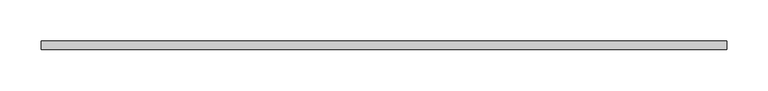
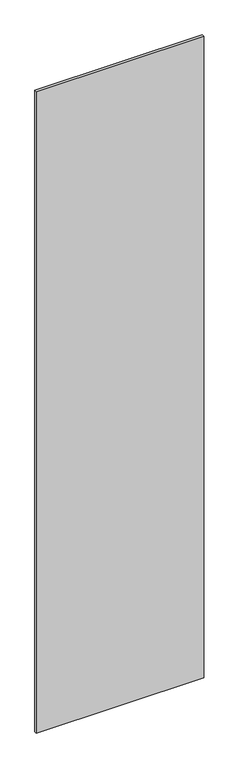
"""IFC4 building model written with IfcOpenShell, lengths in millimetres: plate geometry."""

import ifcopenshell
import ifcopenshell.guid

model = None  # the IFC model being written
_history = None  # IfcOwnerHistory: only IFC2X3 demands one
_inside = {}  # id of a spatial element -> (the spatial element, [elements in it])
_under = {}  # id of a project, library or spatial element -> (it, [spatial elements below it])
_declared = {}  # id of a project -> (the project, [libraries it declares])
_typed = {}  # id of a type object -> (the type object, [elements of that type])
_made_of = {}  # id of a material, layer set ... -> (it, [elements and type objects made of it])


def new_model(schema):
    """Start an empty IFC model of exactly this schema.

    Asked for "IFC4X3", IfcOpenShell would pick the latest addendum, in which some entities
    have other attributes; the version numbers below select the first issue.
    IFC2X3 requires an IfcOwnerHistory on every rooted entity: one is made here for all.
    """
    global model, _history
    if schema == "IFC4X3":
        model = ifcopenshell.file(schema_version=(4, 3, 0, 0))
    else:
        model = ifcopenshell.file(schema=schema)
    _inside.clear()
    _under.clear()
    _declared.clear()
    _typed.clear()
    _made_of.clear()
    _history = None
    if model.schema == "IFC2X3":
        org = make("IfcOrganization", Name="unknown")
        user = make(
            "IfcPersonAndOrganization",
            ThePerson=make("IfcPerson", FamilyName="unknown"),
            TheOrganization=org,
        )
        app = make(
            "IfcApplication",
            ApplicationDeveloper=org,
            Version="unknown",
            ApplicationFullName="unknown",
            ApplicationIdentifier="unknown",
        )
        _history = make(
            "IfcOwnerHistory",
            OwningUser=user,
            OwningApplication=app,
            ChangeAction="ADDED",
            CreationDate=0,
        )
    return model


def make(cls, **values):
    """One entity of the class cls with the attributes given. An attribute that is None is left unset."""
    return model.create_entity(
        cls, **{name: value for name, value in values.items() if value is not None}
    )


def rooted(cls, **values):
    """An entity with a GlobalId (a new one), such as an element, a storey or a relation."""
    return make(cls, GlobalId=ifcopenshell.guid.new(), OwnerHistory=_history, **values)


def si_unit(unit_type, name, prefix=None):
    """IfcSIUnit, for example si_unit("LENGTHUNIT", "METRE", prefix="MILLI")."""
    return make("IfcSIUnit", UnitType=unit_type, Prefix=prefix, Name=name)


def assignment(units):
    """IfcUnitAssignment: the units of a project."""
    return None if units is None else make("IfcUnitAssignment", Units=units)


def point(xyz):
    """IfcCartesianPoint."""
    return None if xyz is None else make("IfcCartesianPoint", Coordinates=xyz)


def direction(xyz):
    """IfcDirection."""
    return None if xyz is None else make("IfcDirection", DirectionRatios=xyz)


def frame(location, z_axis=None, x_axis=None):
    """IfcAxis2Placement3D, a coordinate frame: its origin and axes. An axis left out is left unset."""
    return make(
        "IfcAxis2Placement3D",
        Location=point(location),
        Axis=direction(z_axis),
        RefDirection=direction(x_axis),
    )


def origin():
    """The frame at (0, 0, 0) with its axes left unset."""
    return frame((0.0, 0.0, 0.0))


def origin_with_axes():
    """The frame at (0, 0, 0) with the z axis (0, 0, 1) and the x axis (1, 0, 0) written out."""
    return frame((0.0, 0.0, 0.0), z_axis=(0.0, 0.0, 1.0), x_axis=(1.0, 0.0, 0.0))


def place(relative_to, where):
    """IfcLocalPlacement: puts the frame where relative to a parent placement (None: the world)."""
    return make(
        "IfcLocalPlacement", PlacementRelTo=relative_to, RelativePlacement=where
    )


def context(
    kind, dimensions, precision=None, world=None, true_north=None, identifier=None
):
    """IfcGeometricRepresentationContext, for example the 3D "Model" context."""
    return make(
        "IfcGeometricRepresentationContext",
        ContextIdentifier=identifier,
        ContextType=kind,
        CoordinateSpaceDimension=dimensions,
        Precision=precision,
        WorldCoordinateSystem=world,
        TrueNorth=true_north,
    )


def project(units=None, contexts=None):
    """IfcProject with its units and contexts."""
    return rooted(
        "IfcProject",
        Name="project",
        RepresentationContexts=contexts,
        UnitsInContext=assignment(units),
    )


def spatial(cls, under=None, at=None, **own):
    """A site, building, storey or space (cls), placed at a placement, below another one or the project."""
    s = rooted(cls, ObjectPlacement=at, **own)
    if under is not None:
        _under.setdefault(under.id(), (under, []))[1].append(s)
    return s


def polyline(points):
    """IfcPolyline through the points."""
    return make("IfcPolyline", Points=[point(p) for p in points])


def outline(outer, holes=None, kind="AREA"):
    """IfcArbitraryClosedProfileDef: a profile drawn as a closed curve; with holes, ...WithVoids."""
    if holes is None:
        return make("IfcArbitraryClosedProfileDef", ProfileType=kind, OuterCurve=outer)
    return make(
        "IfcArbitraryProfileDefWithVoids",
        ProfileType=kind,
        OuterCurve=outer,
        InnerCurves=holes,
    )


def extrude(swept, where, along, depth):
    """IfcExtrudedAreaSolid: the profile swept, set in the frame where, extruded along a direction by depth."""
    return make(
        "IfcExtrudedAreaSolid",
        SweptArea=swept,
        Position=where,
        ExtrudedDirection=direction(along),
        Depth=depth,
    )


def shape(context_of_items, identifier, shape_type, items):
    """IfcShapeRepresentation: the items that make up one representation, for example the "Body"."""
    return make(
        "IfcShapeRepresentation",
        ContextOfItems=context_of_items,
        RepresentationIdentifier=identifier,
        RepresentationType=shape_type,
        Items=items,
    )


def source(mapping_origin, context_of_items, identifier, shape_type, items):
    """IfcRepresentationMap: a shape defined once, which mapped items show again and again."""
    return make(
        "IfcRepresentationMap",
        MappingOrigin=mapping_origin,
        MappedRepresentation=shape(context_of_items, identifier, shape_type, items),
    )


def transform(
    local_origin,
    x_axis=None,
    y_axis=None,
    z_axis=None,
    scale=None,
    scale2=None,
    scale3=None,
    uniform=True,
):
    """IfcCartesianTransformationOperator3D, or its non-uniform kind. x_axis, y_axis, z_axis: its Axis1, 2, 3."""
    if uniform:
        return make(
            "IfcCartesianTransformationOperator3D",
            Axis1=direction(x_axis),
            Axis2=direction(y_axis),
            LocalOrigin=point(local_origin),
            Scale=scale,
            Axis3=direction(z_axis),
        )
    return make(
        "IfcCartesianTransformationOperator3DnonUniform",
        Axis1=direction(x_axis),
        Axis2=direction(y_axis),
        LocalOrigin=point(local_origin),
        Scale=scale,
        Axis3=direction(z_axis),
        Scale2=scale2,
        Scale3=scale3,
    )


def mapped(mapping_source, mapping_target):
    """IfcMappedItem: shows the shape of a source again, moved by a transform."""
    return make(
        "IfcMappedItem", MappingSource=mapping_source, MappingTarget=mapping_target
    )


def made_of(thing, what):
    """Note that an element or type object is made of a material, layer set ...; save() writes the relation."""
    if what is not None:
        _made_of.setdefault(what.id(), (what, []))[1].append(thing)
    return thing


def element(
    cls,
    number,
    at=None,
    inside=None,
    cuts=None,
    type_object=None,
    material=None,
    context=None,
    identifier="Body",
    shape_type=None,
    held_by="IfcProductDefinitionShape",
    body=None,
    shapes=None,
    **own,
):
    """One element of the class cls, such as IfcWall. Its Tag is "e" and its number.

    at: its placement. inside: the storey or other place that contains it. cuts: it is an
    opening in that element (IfcRelVoidsElement). A single representation is given by context,
    identifier, shape_type and body (its items); several are given by shapes. held_by: the class
    of the entity that holds the representations. save() writes the other relations.
    """
    e = rooted(cls, Tag="e%d" % number, ObjectPlacement=at, **own)
    if body is not None:
        shapes = [shape(context, identifier, shape_type, body)]
    if shapes is not None:
        e.Representation = make(held_by, Representations=shapes)
    if inside is not None:
        _inside.setdefault(inside.id(), (inside, []))[1].append(e)
    if cuts is not None:
        rooted(
            "IfcRelVoidsElement", RelatingBuildingElement=cuts, RelatedOpeningElement=e
        )
    if type_object is not None:
        _typed.setdefault(type_object.id(), (type_object, []))[1].append(e)
    return made_of(e, material)


def aggregate(whole, parts):
    """IfcRelAggregates: a whole, such as a stair, and the parts it consists of."""
    return rooted("IfcRelAggregates", RelatingObject=whole, RelatedObjects=parts)


def save(model, path):
    """Write the relations noted so far, then the file.

    IfcRelAggregates (storeys below a building ...), IfcRelContainedInSpatialStructure (elements
    in a storey), IfcRelDefinesByType, IfcRelAssociatesMaterial and IfcRelDeclares: one each for
    every whole, place, type object, material and project.
    """
    for whole, parts in _under.values():
        aggregate(whole, parts)
    for where, things in _inside.values():
        rooted(
            "IfcRelContainedInSpatialStructure",
            RelatedElements=things,
            RelatingStructure=where,
        )
    for kind, things in _typed.values():
        rooted("IfcRelDefinesByType", RelatedObjects=things, RelatingType=kind)
    for what, things in _made_of.values():
        rooted("IfcRelAssociatesMaterial", RelatedObjects=things, RelatingMaterial=what)
    for by, libraries in _declared.values():
        rooted("IfcRelDeclares", RelatingContext=by, RelatedDefinitions=libraries)
    model.write(path)


def plate_c7cfdf11(model_context):
    return source(origin(), model_context, "Body", "SweptSolid", [
        extrude(outline(polyline([(415.0, -5.0), (-415.0, -5.0), (-415.0, 5.0), (415.0, 5.0), (415.0, -5.0)])), origin_with_axes(), (0.0, 0.0, 1.0), 3360.0),
    ])


if __name__ == "__main__":
    model = new_model("IFC4")
    model_context = context("Model", 3, world=origin())
    ifc_project = project(units=[si_unit("LENGTHUNIT", "METRE", prefix="MILLI")], contexts=[model_context])
    site = spatial("IfcSite", under=ifc_project)
    building = spatial("IfcBuilding", under=site)
    placement = place(None, origin())
    plate_shape = plate_c7cfdf11(model_context)
    element("IfcPlate", 1, at=placement, inside=building, context=model_context, shape_type="MappedRepresentation", body=[
        mapped(plate_shape, transform((0.0, 0.0, 0.0), x_axis=(1.0, 0.0, 0.0), y_axis=(0.0, 1.0, 0.0), z_axis=(0.0, 0.0, 1.0))),
    ])
    save(model, "model.ifc")
